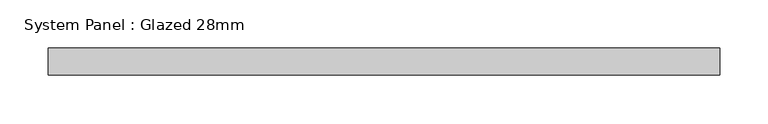
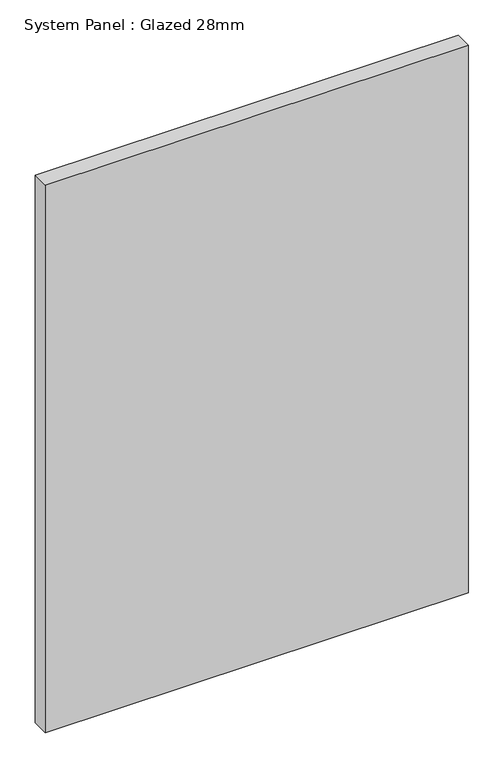
"""IFC4 building model written with IfcOpenShell, lengths in millimetres: plate geometry, System Panel : Glazed 28mm."""

from ifc_helpers import new_model, si_unit, origin, origin_with_axes, place, context, project, spatial, polyline, outline, extrude, source, transform, mapped, element, save


def system_panel_glazed_28mm_3ebf17bd(model_context):
    return source(origin(), model_context, "Body", "SweptSolid", [
        extrude(outline(polyline([(346.7808019, -14.0), (-346.7808019, -14.0), (-346.7808019, 14.0), (346.7808019, 14.0), (346.7808019, -14.0)])), origin_with_axes(), (0.0, 0.0, 1.0), 948.6822597),
    ])


if __name__ == "__main__":
    model = new_model("IFC4")
    model_context = context("Model", 3, world=origin())
    ifc_project = project(units=[si_unit("LENGTHUNIT", "METRE", prefix="MILLI")], contexts=[model_context])
    site = spatial("IfcSite", under=ifc_project)
    building = spatial("IfcBuilding", under=site)
    placement = place(None, origin())
    system_panel_glazed_28mm_shape = system_panel_glazed_28mm_3ebf17bd(model_context)
    element("IfcPlate", 1, ObjectType="System Panel : Glazed 28mm", at=placement, inside=building, context=model_context, shape_type="MappedRepresentation", body=[
        mapped(system_panel_glazed_28mm_shape, transform((0.0, 0.0, 0.0), x_axis=(1.0, 0.0, 0.0), y_axis=(0.0, 1.0, 0.0), z_axis=(0.0, 0.0, 1.0))),
    ])
    save(model, "model.ifc")
